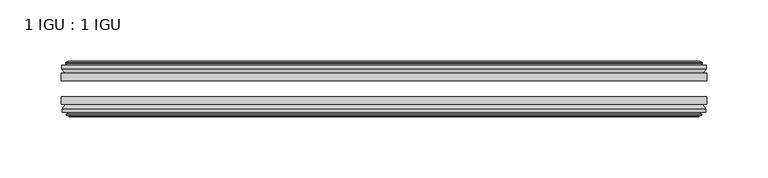
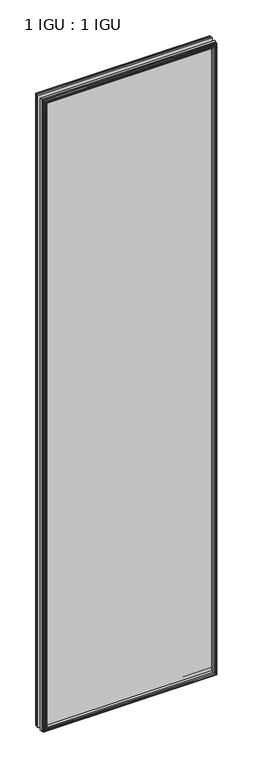
"""IFC4 building model written with IfcOpenShell, lengths in millimetres: plate geometry, 1 IGU : 1 IGU."""

from ifc_helpers import new_model, si_unit, frame, origin, place, context, project, spatial, polyline, outline, extrude, faceted_brep, source, transform, mapped, element, save


def plate_1_igu_1_igu_7822ee19(model_context):
    return source(origin(), model_context, "Body", "SolidModel", [
        extrude(outline(polyline([(263.509125, -25.8960937), (263.509125, -32.2460938), (-263.509125, -32.2460938), (-263.509125, -25.8960937), (263.509125, -25.8960937)])), frame((0.0, 0.0, -12.7), z_axis=(0.0, 0.0, 1.0), x_axis=(1.0, 0.0, 0.0)), (0.0, 0.0, 1.0), 2019.3),
        extrude(outline(polyline([(-263.509125, -51.2960938), (-263.509125, -45.2686737), (263.509125, -45.2686737), (263.509125, -51.2960938), (-263.509125, -51.2960938)])), frame((0.0, 0.0, -12.7), z_axis=(0.0, 0.0, 1.0), x_axis=(1.0, 0.0, 0.0)), (0.0, 0.0, 1.0), 2019.3),
        faceted_brep([(-257.921125, -60.0262907, 2001.012), (-258.302125, -57.6460937, 2001.393), (-258.302125, -57.6460937, -7.493), (-257.921125, -60.0262907, -7.112), (-259.336654, -59.5663575, 2002.4275291), (-259.336654, -59.5663575, -8.5275291), (-259.336654, -60.3675717, 2002.4275291), (-259.336654, -60.3675717, -8.5275291), (-257.159125, -61.0750937, 2000.25), (-257.159125, -61.0750937, -6.35), (-254.9815959, -60.3675717, 1998.072471), (-254.9815959, -60.3675717, -4.1724709), (-254.9815959, -59.5663575, 1998.072471), (-254.9815959, -59.5663575, -4.1724709), (-256.397125, -60.0262907, 1999.488), (-256.397125, -60.0262907, -5.588), (-256.016125, -57.6460937, 1999.107), (-256.016125, -57.6460937, -5.207), (-249.0914069, -51.2960937, 1992.1822819), (-250.809125, -57.6460937, 1993.9), (-250.809125, -57.6460937, 0.0), (-249.0914069, -51.2960937, 1.7177181), (-262.747125, -54.6996937, 2005.838), (-259.9127828, -51.2960937, 2003.0036578), (-259.9127828, -51.2960937, -9.1036578), (-262.747125, -54.6996937, -11.938), (-262.747125, -57.6460937, 2005.838), (-262.747125, -57.6460937, -11.938), (258.302125, -57.6460938, -7.493), (257.921125, -60.0262907, -7.112), (259.336654, -59.5663575, -8.5275291), (259.336654, -60.3675717, -8.5275291), (257.159125, -61.0750937, -6.35), (254.9815959, -60.3675717, -4.1724709), (254.9815959, -59.5663575, -4.1724709), (256.397125, -60.0262907, -5.588), (256.016125, -57.6460937, -5.207), (250.809125, -57.6460937, 0.0), (249.0914069, -51.2960937, 1.7177181), (259.9127828, -51.2960937, -9.1036578), (262.747125, -54.6996937, -11.938), (262.747125, -57.6460938, -11.938), (258.302125, -57.6460938, 2001.393), (257.921125, -60.0262907, 2001.012), (259.336654, -59.5663575, 2002.4275291), (259.336654, -60.3675717, 2002.4275291), (257.159125, -61.0750937, 2000.25), (254.9815959, -60.3675717, 1998.072471), (254.9815959, -59.5663575, 1998.072471), (256.397125, -60.0262907, 1999.488), (256.016125, -57.6460937, 1999.107), (250.809125, -57.6460937, 1993.9), (249.0914069, -51.2960937, 1992.1822819), (259.9127828, -51.2960937, 2003.0036578), (262.747125, -54.6996937, 2005.838), (262.747125, -57.6460938, 2005.838)], [[[0, 1, 2, 3]], [[4, 0, 3, 5]], [[6, 4, 5, 7]], [[8, 6, 7, 9]], [[10, 8, 9, 11]], [[12, 10, 11, 13]], [[14, 12, 13, 15]], [[16, 14, 15, 17]], [[18, 19, 20, 21]], [[22, 23, 24, 25]], [[26, 22, 25, 27]], [[3, 2, 28, 29]], [[5, 3, 29, 30]], [[7, 5, 30, 31]], [[9, 7, 31, 32]], [[11, 9, 32, 33]], [[13, 11, 33, 34]], [[15, 13, 34, 35]], [[17, 15, 35, 36]], [[21, 20, 37, 38]], [[25, 24, 39, 40]], [[27, 25, 40, 41]], [[29, 28, 42, 43]], [[30, 29, 43, 44]], [[31, 30, 44, 45]], [[32, 31, 45, 46]], [[33, 32, 46, 47]], [[34, 33, 47, 48]], [[35, 34, 48, 49]], [[36, 35, 49, 50]], [[38, 37, 51, 52]], [[40, 39, 53, 54]], [[41, 40, 54, 55]], [[27, 41, 55, 26], [1, 42, 28, 2]], [[43, 42, 1, 0]], [[44, 43, 0, 4]], [[45, 44, 4, 6]], [[46, 45, 6, 8]], [[47, 46, 8, 10]], [[48, 47, 10, 12]], [[49, 48, 12, 14]], [[50, 49, 14, 16]], [[17, 36, 50, 16], [19, 51, 37, 20]], [[52, 51, 19, 18]], [[23, 53, 39, 24], [21, 38, 52, 18]], [[54, 53, 23, 22]], [[55, 54, 22, 26]]]),
        faceted_brep([(-260.4334828, -25.8960937, 2003.5243578), (-263.267825, -22.4924937, 2006.3587), (-263.267825, -22.4924937, -12.4587), (-260.4334828, -25.8960937, -9.6243578), (-251.329825, -19.5460937, 1994.4207), (-249.6121069, -25.8960937, 1992.7029819), (-249.6121069, -25.8960937, 1.1970181), (-251.329825, -19.5460937, -0.5207), (-256.917825, -17.1658968, 2000.0087), (-256.536825, -19.5460937, 1999.6277), (-256.536825, -19.5460937, -5.7277), (-256.917825, -17.1658968, -6.1087), (-255.5022959, -17.62583, 1998.593171), (-255.5022959, -17.62583, -4.6931709), (-255.5022959, -16.8246158, 1998.593171), (-255.5022959, -16.8246158, -4.6931709), (-257.679825, -16.1170937, 2000.7707), (-257.679825, -16.1170937, -6.8707), (-259.857354, -16.8246158, 2002.9482291), (-259.857354, -16.8246158, -9.0482291), (-259.857354, -17.62583, 2002.9482291), (-259.857354, -17.62583, -9.0482291), (-258.441825, -17.1658968, 2001.5327), (-258.441825, -17.1658968, -7.6327), (-258.822825, -19.5460937, 2001.9137), (-258.822825, -19.5460937, -8.0137), (-263.267825, -19.5460937, 2006.3587), (-263.267825, -19.5460937, -12.4587), (263.267825, -22.4924937, -12.4587), (260.4334828, -25.8960937, -9.6243578), (249.6121069, -25.8960937, 1.1970181), (251.329825, -19.5460937, -0.5207), (256.536825, -19.5460937, -5.7277), (256.917825, -17.1658968, -6.1087), (255.5022959, -17.62583, -4.6931709), (255.5022959, -16.8246158, -4.6931709), (257.679825, -16.1170937, -6.8707), (259.857354, -16.8246158, -9.0482291), (259.857354, -17.62583, -9.0482291), (258.441825, -17.1658968, -7.6327), (258.822825, -19.5460937, -8.0137), (263.267825, -19.5460937, -12.4587), (263.267825, -22.4924937, 2006.3587), (260.4334828, -25.8960937, 2003.5243578), (249.6121069, -25.8960937, 1992.7029819), (251.329825, -19.5460937, 1994.4207), (256.536825, -19.5460937, 1999.6277), (256.917825, -17.1658968, 2000.0087), (255.5022959, -17.62583, 1998.593171), (255.5022959, -16.8246158, 1998.593171), (257.679825, -16.1170937, 2000.7707), (259.857354, -16.8246158, 2002.9482291), (259.857354, -17.62583, 2002.9482291), (258.441825, -17.1658968, 2001.5327), (258.822825, -19.5460937, 2001.9137), (263.267825, -19.5460937, 2006.3587)], [[[0, 1, 2, 3]], [[4, 5, 6, 7]], [[8, 9, 10, 11]], [[12, 8, 11, 13]], [[14, 12, 13, 15]], [[16, 14, 15, 17]], [[18, 16, 17, 19]], [[20, 18, 19, 21]], [[22, 20, 21, 23]], [[24, 22, 23, 25]], [[1, 26, 27, 2]], [[3, 2, 28, 29]], [[7, 6, 30, 31]], [[11, 10, 32, 33]], [[13, 11, 33, 34]], [[15, 13, 34, 35]], [[17, 15, 35, 36]], [[19, 17, 36, 37]], [[21, 19, 37, 38]], [[23, 21, 38, 39]], [[25, 23, 39, 40]], [[2, 27, 41, 28]], [[29, 28, 42, 43]], [[31, 30, 44, 45]], [[33, 32, 46, 47]], [[34, 33, 47, 48]], [[35, 34, 48, 49]], [[36, 35, 49, 50]], [[37, 36, 50, 51]], [[38, 37, 51, 52]], [[39, 38, 52, 53]], [[40, 39, 53, 54]], [[28, 41, 55, 42]], [[43, 42, 1, 0]], [[3, 29, 43, 0], [5, 44, 30, 6]], [[45, 44, 5, 4]], [[9, 46, 32, 10], [7, 31, 45, 4]], [[47, 46, 9, 8]], [[48, 47, 8, 12]], [[49, 48, 12, 14]], [[50, 49, 14, 16]], [[51, 50, 16, 18]], [[52, 51, 18, 20]], [[53, 52, 20, 22]], [[54, 53, 22, 24]], [[26, 55, 41, 27], [25, 40, 54, 24]], [[42, 55, 26, 1]]]),
    ])


if __name__ == "__main__":
    model = new_model("IFC4")
    model_context = context("Model", 3, world=origin())
    ifc_project = project(units=[si_unit("LENGTHUNIT", "METRE", prefix="MILLI")], contexts=[model_context])
    site = spatial("IfcSite", under=ifc_project)
    building = spatial("IfcBuilding", under=site)
    placement = place(None, origin())
    plate_1_igu_1_igu_shape = plate_1_igu_1_igu_7822ee19(model_context)
    element("IfcPlate", 1, ObjectType="1 IGU : 1 IGU", at=placement, inside=building, context=model_context, shape_type="MappedRepresentation", body=[
        mapped(plate_1_igu_1_igu_shape, transform((0.0, 0.0, 0.0), x_axis=(1.0, 0.0, 0.0), y_axis=(0.0, 1.0, 0.0), z_axis=(0.0, 0.0, 1.0))),
    ])
    save(model, "model.ifc")
